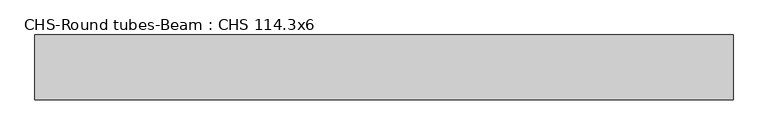
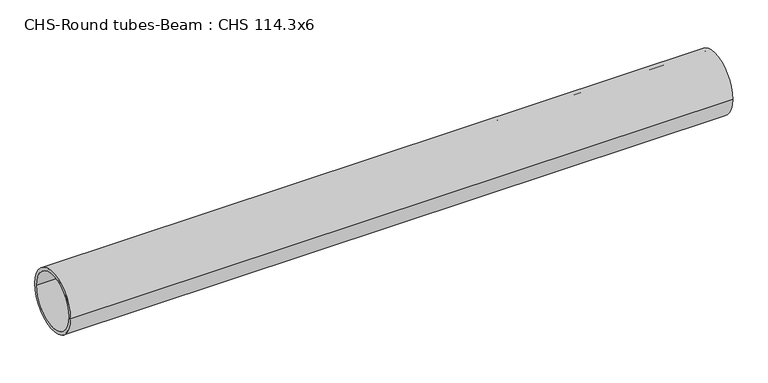
"""IFC4 building model written with IfcOpenShell, lengths in millimetres: beam geometry, CHS-Round tubes-Beam : CHS 114.3x6."""

from ifc_helpers import new_model, si_unit, point, frame, origin, origin_2d, place, context, project, spatial, circle_curve, trimmed, segment, composite_curve, outline, extrude, source, transform, mapped, element, save


def chs_round_tubes_beam_chs_114_3x6_1c1159d8(model_context):
    return source(origin(), model_context, "Body", "SweptSolid", [
        extrude(outline(composite_curve([segment(trimmed(circle_curve(origin_2d(), 57.15), [point((57.15, 0.0))], [point((-57.15, 0.0))], False, "CARTESIAN"), True, "CONTINUOUS"), segment(trimmed(circle_curve(origin_2d(), 57.15), [point((-57.15, 0.0))], [point((57.15, 0.0))], False, "CARTESIAN"), True, "CONTINUOUS")], self_intersect=False), holes=[composite_curve([segment(trimmed(circle_curve(origin_2d(), 51.15), [point((51.15, 0.0))], [point((-51.15, 0.0))], True, "CARTESIAN"), True, "CONTINUOUS"), segment(trimmed(circle_curve(origin_2d(), 51.15), [point((-51.15, 0.0))], [point((51.15, 0.0))], True, "CARTESIAN"), True, "CONTINUOUS")], self_intersect=False)]), frame((-615.488573, 0.0, 0.0), z_axis=(1.0, 0.0, 0.0), x_axis=(0.0, 1.0, 0.0)), (0.0, 0.0, 1.0), 1230.9825452),
    ])


if __name__ == "__main__":
    model = new_model("IFC4")
    model_context = context("Model", 3, world=origin())
    ifc_project = project(units=[si_unit("LENGTHUNIT", "METRE", prefix="MILLI")], contexts=[model_context])
    site = spatial("IfcSite", under=ifc_project)
    building = spatial("IfcBuilding", under=site)
    placement = place(None, origin())
    chs_round_tubes_beam_chs_114_3x6_shape = chs_round_tubes_beam_chs_114_3x6_1c1159d8(model_context)
    element("IfcBeam", 1, ObjectType="CHS-Round tubes-Beam : CHS 114.3x6", at=placement, inside=building, context=model_context, shape_type="MappedRepresentation", body=[
        mapped(chs_round_tubes_beam_chs_114_3x6_shape, transform((0.0, 0.0, 0.0), x_axis=(1.0, 0.0, 0.0), y_axis=(0.0, 1.0, 0.0), z_axis=(0.0, 0.0, 1.0))),
    ])
    save(model, "model.ifc")
